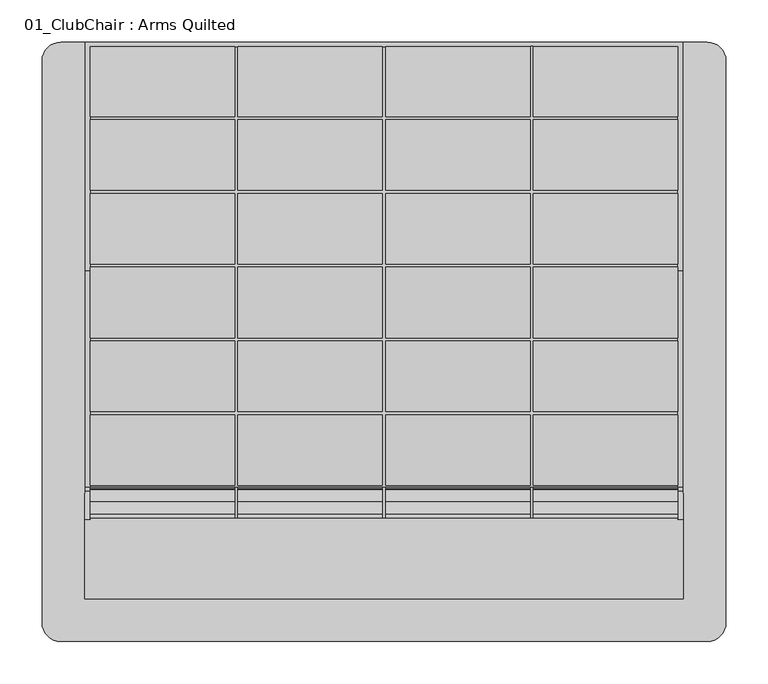
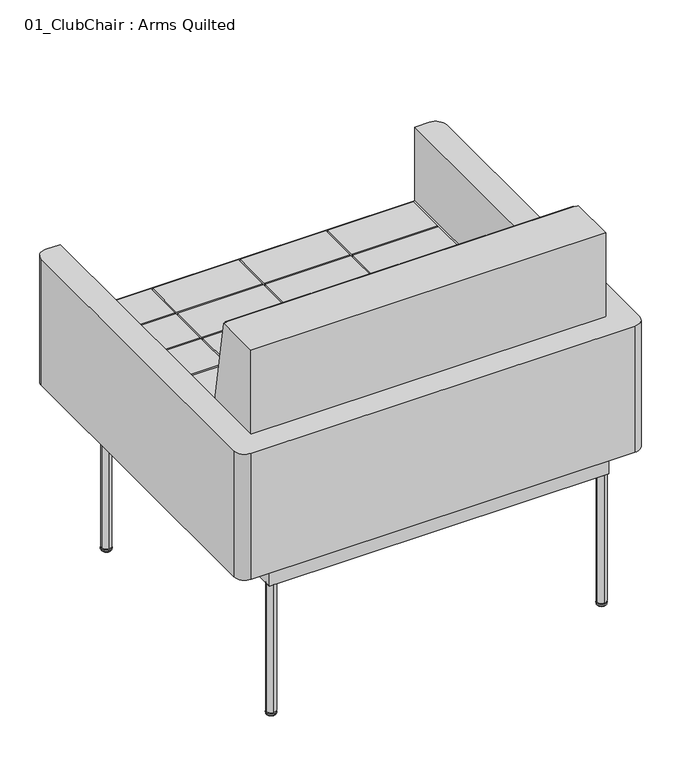
"""IFC4 building model written with IfcOpenShell, lengths in millimetres: furniture geometry, 01_ClubChair : Arms Quilted."""

from ifc_helpers import new_model, si_unit, point, frame, frame_2d, origin, place, context, project, spatial, polyline, circle_curve, ellipse_curve, trimmed, segment, composite_curve, outline, extrude, faceted_brep, source, transform, mapped, element, save
from ifc_brep_helpers import plane_surface, revolved_surface, advanced_brep


def furniture_01_clubchair_arms_quilted_26761083(model_context):
    return source(origin(), model_context, "Body", "SolidModel", [
        faceted_brep([(354.8683301, -172.790312, 357.1875), (354.8683301, -172.790312, 405.8269736), (354.8683301, -177.552038, 405.4116807), (354.8683301, -177.552038, 569.5185218), (354.8683301, -210.7940187, 761.4646402), (354.8683301, -305.047338, 761.4646402), (354.8683301, -305.047338, 357.1875), (-354.8683301, -305.047338, 761.4646402), (-354.8683301, -210.7940187, 761.4646402), (-354.8683301, -177.552038, 569.5185218), (-354.8683301, -177.552038, 405.4116807), (-354.8683301, -172.790312, 405.8269736), (-354.8683301, -172.790312, 357.1875), (-354.8683301, -305.047338, 357.1875), (1.905, -172.790312, 570.0407405), (1.905, -174.941666, 582.9299879), (173.355, -174.941666, 582.9299879), (173.355, -172.790312, 570.0407405), (-348.615, -190.2039855, 674.3699879), (-348.615, -204.1944449, 758.1899879), (-177.165, -204.1944449, 758.1899879), (-177.165, -190.2039855, 674.3699879), (-1.905, -204.1944449, 758.1899879), (-1.905, -190.2039855, 674.3699879), (-173.355, -190.2039855, 674.3699879), (-173.355, -204.1944449, 758.1899879), (173.355, -204.1944449, 758.1899879), (173.355, -190.2039855, 674.3699879), (1.905, -190.2039855, 674.3699879), (1.905, -204.1944449, 758.1899879), (348.615, -204.1944449, 758.1899879), (348.615, -190.2039855, 674.3699879), (177.165, -190.2039855, 674.3699879), (177.165, -204.1944449, 758.1899879), (-348.615, -175.577596, 586.7399879), (-348.615, -189.5680555, 670.5599879), (-177.165, -189.5680555, 670.5599879), (-177.165, -175.577596, 586.7399879), (-1.905, -189.5680555, 670.5599879), (-1.905, -175.577596, 586.7399879), (-173.355, -175.577596, 586.7399879), (-173.355, -189.5680555, 670.5599879), (173.355, -189.5680555, 670.5599879), (173.355, -175.577596, 586.7399879), (1.905, -175.577596, 586.7399879), (1.905, -189.5680555, 670.5599879), (348.615, -189.5680555, 670.5599879), (348.615, -175.577596, 586.7399879), (177.165, -175.577596, 586.7399879), (177.165, -189.5680555, 670.5599879), (-177.165, -174.941666, 582.9299879), (-177.165, -172.790312, 570.0407405), (-348.615, -172.790312, 570.0407405), (-348.615, -174.941666, 582.9299879), (348.615, -174.941666, 582.9299879), (348.615, -172.790312, 570.0407405), (177.165, -172.790312, 570.0407405), (177.165, -174.941666, 582.9299879), (-173.355, -172.790312, 570.0407405), (-173.355, -174.941666, 582.9299879), (-1.905, -174.941666, 582.9299879), (-1.905, -172.790312, 570.0407405), (-348.615, -172.790312, 405.8269736), (-348.615, -172.790312, 404.5204), (348.615, -172.790312, 404.5204), (348.615, -172.790312, 405.8269736), (173.355, -172.790312, 499.1099879), (1.905, -172.790312, 499.1099879), (-348.615, -172.790312, 499.1099879), (-177.165, -172.790312, 499.1099879), (177.165, -172.790312, 499.1099879), (348.615, -172.790312, 499.1099879), (-348.615, -172.790312, 411.4799879), (-348.615, -172.790312, 495.2999879), (-177.165, -172.790312, 495.2999879), (-177.165, -172.790312, 411.4799879), (-1.905, -172.790312, 495.2999879), (-1.905, -172.790312, 411.4799879), (-173.355, -172.790312, 411.4799879), (-173.355, -172.790312, 495.2999879), (173.355, -172.790312, 495.2999879), (173.355, -172.790312, 411.4799879), (1.905, -172.790312, 411.4799879), (1.905, -172.790312, 495.2999879), (348.615, -172.790312, 495.2999879), (348.615, -172.790312, 411.4799879), (177.165, -172.790312, 411.4799879), (177.165, -172.790312, 495.2999879), (-1.905, -172.790312, 499.1099879), (-173.355, -172.790312, 499.1099879), (348.615, -210.7940187, 761.4646402), (348.615, -209.797338, 761.4646402), (-348.615, -209.797338, 761.4646402), (-348.615, -210.7940187, 761.4646402), (-177.165, -209.797338, 674.3699879), (-177.165, -209.797338, 758.1899879), (-348.615, -209.797338, 758.1899879), (348.615, -209.797338, 758.1899879), (177.165, -209.797338, 758.1899879), (177.165, -209.797338, 674.3699879), (348.615, -209.797338, 674.3699879), (348.615, -209.797338, 670.5599879), (177.165, -209.797338, 670.5599879), (177.165, -209.797338, 586.7399879), (348.615, -209.797338, 586.7399879), (348.615, -209.797338, 582.9299879), (177.165, -209.797338, 582.9299879), (177.165, -209.797338, 499.1099879), (348.615, -209.797338, 499.1099879), (348.615, -209.797338, 495.2999879), (177.165, -209.797338, 495.2999879), (177.165, -209.797338, 411.4799879), (348.615, -209.797338, 411.4799879), (348.615, -209.797338, 404.5204), (-348.615, -209.797338, 404.5204), (-348.615, -209.797338, 411.4799879), (-177.165, -209.797338, 411.4799879), (-177.165, -209.797338, 495.2999879), (-348.615, -209.797338, 495.2999879), (-348.615, -209.797338, 499.1099879), (-177.165, -209.797338, 499.1099879), (-177.165, -209.797338, 582.9299879), (-348.615, -209.797338, 582.9299879), (-348.615, -209.797338, 586.7399879), (-177.165, -209.797338, 586.7399879), (-177.165, -209.797338, 670.5599879), (-348.615, -209.797338, 670.5599879), (-348.615, -209.797338, 674.3699879), (-173.355, -209.797338, 758.1899879), (-173.355, -209.797338, 674.3699879), (-1.905, -209.797338, 674.3699879), (-1.905, -209.797338, 758.1899879), (-173.355, -209.797338, 670.5599879), (-173.355, -209.797338, 586.7399879), (-1.905, -209.797338, 586.7399879), (-1.905, -209.797338, 670.5599879), (1.905, -209.797338, 670.5599879), (1.905, -209.797338, 586.7399879), (173.355, -209.797338, 586.7399879), (173.355, -209.797338, 670.5599879), (-173.355, -209.797338, 582.9299879), (-173.355, -209.797338, 499.1099879), (-1.905, -209.797338, 499.1099879), (-1.905, -209.797338, 582.9299879), (1.905, -209.797338, 582.9299879), (1.905, -209.797338, 499.1099879), (173.355, -209.797338, 499.1099879), (173.355, -209.797338, 582.9299879), (-173.355, -209.797338, 495.2999879), (-173.355, -209.797338, 411.4799879), (-1.905, -209.797338, 411.4799879), (-1.905, -209.797338, 495.2999879), (1.905, -209.797338, 495.2999879), (1.905, -209.797338, 411.4799879), (173.355, -209.797338, 411.4799879), (173.355, -209.797338, 495.2999879), (1.905, -209.797338, 674.3699879), (173.355, -209.797338, 674.3699879), (173.355, -209.797338, 758.1899879), (1.905, -209.797338, 758.1899879), (-348.615, -195.7106256, 674.3699879), (348.615, -195.7106256, 674.3699879), (-348.615, -180.534519, 586.7399879), (-348.615, -179.8746882, 582.9299879), (-348.615, -195.0507949, 670.5599879), (348.615, -195.0507949, 670.5599879), (348.615, -180.534519, 586.7399879), (348.615, -179.8746882, 582.9299879), (-348.615, -177.552038, 499.1099879), (-348.615, -177.552038, 495.2999879), (348.615, -177.552038, 499.1099879), (348.615, -177.552038, 495.2999879), (-348.615, -177.552038, 411.4799879), (-348.615, -177.552038, 405.4116807), (348.615, -177.552038, 411.4799879), (348.615, -177.552038, 405.4116807), (-348.615, -177.552038, 569.5185218), (348.615, -177.552038, 569.5185218)], [[[0, 1, 2, 3, 4, 5, 6]], [[7, 8, 9, 10, 11, 12, 13]], [[14, 15, 16, 17]], [[18, 19, 20, 21]], [[22, 23, 24, 25]], [[26, 27, 28, 29]], [[30, 31, 32, 33]], [[34, 35, 36, 37]], [[38, 39, 40, 41]], [[42, 43, 44, 45]], [[46, 47, 48, 49]], [[50, 51, 52, 53]], [[54, 55, 56, 57]], [[58, 59, 60, 61]], [[12, 11, 62, 63, 64, 65, 1, 0]], [[17, 66, 67, 14]], [[68, 52, 51, 69]], [[70, 56, 55, 71]], [[72, 73, 74, 75]], [[76, 77, 78, 79]], [[80, 81, 82, 83]], [[84, 85, 86, 87]], [[61, 88, 89, 58]], [[6, 13, 12, 0]], [[5, 7, 13, 6]], [[5, 4, 90, 91, 92, 93, 8, 7]], [[94, 95, 96, 92, 91, 97, 98, 99, 100, 101, 102, 103, 104, 105, 106, 107, 108, 109, 110, 111, 112, 113, 114, 115, 116, 117, 118, 119, 120, 121, 122, 123, 124, 125, 126, 127], [128, 129, 130, 131], [132, 133, 134, 135], [136, 137, 138, 139], [140, 141, 142, 143], [144, 145, 146, 147], [148, 149, 150, 151], [152, 153, 154, 155], [156, 157, 158, 159]], [[127, 160, 18, 21, 94]], [[95, 20, 19, 96]], [[94, 21, 20, 95]], [[131, 22, 25, 128]], [[129, 24, 23, 130]], [[128, 25, 24, 129]], [[158, 26, 29, 159]], [[157, 27, 26, 158]], [[156, 28, 27, 157]], [[97, 30, 33, 98]], [[99, 32, 31, 161, 100]], [[98, 33, 32, 99]], [[123, 162, 34, 37, 124]], [[122, 163, 162, 123]], [[125, 36, 35, 164, 126]], [[124, 37, 36, 125]], [[135, 38, 41, 132]], [[134, 39, 38, 135]], [[133, 40, 39, 134]], [[132, 41, 40, 133]], [[139, 42, 45, 136]], [[138, 43, 42, 139]], [[137, 44, 43, 138]], [[136, 45, 44, 137]], [[101, 165, 46, 49, 102]], [[104, 166, 167, 105]], [[103, 48, 47, 166, 104]], [[102, 49, 48, 103]], [[119, 168, 68, 69, 120]], [[118, 169, 168, 119]], [[121, 50, 53, 163, 122]], [[120, 69, 51, 50, 121]], [[143, 60, 59, 140]], [[142, 88, 61, 60, 143]], [[141, 89, 88, 142]], [[140, 59, 58, 89, 141]], [[147, 16, 15, 144]], [[146, 66, 17, 16, 147]], [[145, 67, 66, 146]], [[144, 15, 14, 67, 145]], [[105, 167, 54, 57, 106]], [[108, 170, 171, 109]], [[107, 70, 71, 170, 108]], [[106, 57, 56, 70, 107]], [[115, 172, 72, 75, 116]], [[114, 63, 62, 173, 172, 115]], [[117, 74, 73, 169, 118]], [[116, 75, 74, 117]], [[151, 76, 79, 148]], [[150, 77, 76, 151]], [[149, 78, 77, 150]], [[148, 79, 78, 149]], [[155, 80, 83, 152]], [[154, 81, 80, 155]], [[153, 82, 81, 154]], [[152, 83, 82, 153]], [[109, 171, 84, 87, 110]], [[112, 174, 175, 65, 64, 113]], [[111, 86, 85, 174, 112]], [[110, 87, 86, 111]], [[113, 64, 63, 114]], [[126, 164, 160, 127]], [[100, 161, 165, 101]], [[130, 23, 22, 131]], [[159, 29, 28, 156]], [[93, 92, 96, 19, 18, 160]], [[164, 35, 34, 162]], [[169, 73, 72, 172]], [[176, 163, 53, 52, 68, 168]], [[162, 163, 176, 9, 8, 93, 160, 164]], [[173, 62, 11, 10]], [[168, 169, 172, 173, 10, 9, 176]], [[161, 31, 30, 97, 91, 90]], [[166, 47, 46, 165]], [[174, 85, 84, 171]], [[177, 170, 71, 55, 54, 167]], [[167, 166, 165, 161, 90, 4, 3, 177]], [[177, 3, 2, 175, 174, 171, 170]], [[2, 1, 65, 175]]]),
        faceted_brep([(354.8683301, 355.847338, 357.1875), (354.8683301, 355.847338, 428.2705643), (354.8683301, 84.5466544, 428.2705643), (354.8683301, -172.790312, 405.8269736), (354.8683301, -172.790312, 357.1875), (-354.8683301, -172.790312, 357.1875), (-354.8683301, -172.790312, 405.8269736), (-354.8683301, 84.5466544, 428.2705643), (-354.8683301, 355.847338, 428.2705643), (-354.8683301, 355.847338, 357.1875), (348.615, -172.790312, 405.8269736), (348.615, -172.790312, 395.5542), (-348.615, -172.790312, 395.5542), (-348.615, -172.790312, 405.8269736), (-177.165, -86.747662, 415.9469708), (-348.615, -86.747662, 415.9469708), (-348.615, -170.567662, 408.6136794), (-177.165, -170.567662, 408.6136794), (-177.165, 0.882338, 423.6135936), (-348.615, 0.882338, 423.6135936), (-348.615, -82.937662, 416.2803022), (-177.165, -82.937662, 416.2803022), (-1.905, -82.937662, 416.2803022), (-1.905, 0.882338, 423.6135936), (-173.355, 0.882338, 423.6135936), (-173.355, -82.937662, 416.2803022), (173.355, -82.937662, 416.2803022), (173.355, 0.882338, 423.6135936), (1.905, 0.882338, 423.6135936), (1.905, -82.937662, 416.2803022), (348.615, -82.937662, 416.2803022), (348.615, 0.882338, 423.6135936), (177.165, 0.882338, 423.6135936), (177.165, -82.937662, 416.2803022), (-177.165, 88.512338, 431.2802164), (-348.615, 88.512338, 431.2802164), (-348.615, 4.692338, 423.946925), (-177.165, 4.692338, 423.946925), (-1.905, 4.692338, 423.946925), (-1.905, 88.512338, 431.2802164), (-173.355, 88.512338, 431.2802164), (-173.355, 4.692338, 423.946925), (173.355, 4.692338, 423.946925), (173.355, 88.512338, 431.2802164), (1.905, 88.512338, 431.2802164), (1.905, 4.692338, 423.946925), (348.615, 4.692338, 423.946925), (348.615, 88.512338, 431.2802164), (177.165, 88.512338, 431.2802164), (177.165, 4.692338, 423.946925), (-1.905, -170.567662, 408.6136794), (-1.905, -86.747662, 415.9469708), (-173.355, -86.747662, 415.9469708), (-173.355, -170.567662, 408.6136794), (173.355, -170.567662, 408.6136794), (173.355, -86.747662, 415.9469708), (1.905, -86.747662, 415.9469708), (1.905, -170.567662, 408.6136794), (348.615, -170.567662, 408.6136794), (348.615, -86.747662, 415.9469708), (177.165, -86.747662, 415.9469708), (177.165, -170.567662, 408.6136794), (-177.165, 176.142338, 431.3641497), (-348.615, 176.142338, 431.3641497), (-348.615, 92.322338, 431.3641497), (-177.165, 92.322338, 431.3641497), (-1.905, 92.322338, 431.3641497), (-1.905, 176.142338, 431.3641497), (-173.355, 176.142338, 431.3641497), (-173.355, 92.322338, 431.3641497), (173.355, 92.322338, 431.3641497), (173.355, 176.142338, 431.3641497), (1.905, 176.142338, 431.3641497), (1.905, 92.322338, 431.3641497), (348.615, 92.322338, 431.3641497), (348.615, 176.142338, 431.3641497), (177.165, 176.142338, 431.3641497), (177.165, 92.322338, 431.3641497), (-177.165, 263.772338, 431.3641497), (-348.615, 263.772338, 431.3641497), (-348.615, 179.952338, 431.3641497), (-177.165, 179.952338, 431.3641497), (-1.905, 179.952338, 431.3641497), (-1.905, 263.772338, 431.3641497), (-173.355, 263.772338, 431.3641497), (-173.355, 179.952338, 431.3641497), (173.355, 179.952338, 431.3641497), (173.355, 263.772338, 431.3641497), (1.905, 263.772338, 431.3641497), (1.905, 179.952338, 431.3641497), (348.615, 179.952338, 431.3641497), (348.615, 263.772338, 431.3641497), (177.165, 263.772338, 431.3641497), (177.165, 179.952338, 431.3641497), (-177.165, 350.449838, 431.3641497), (-348.615, 350.449838, 431.3641497), (-348.615, 267.582338, 431.3641497), (-177.165, 267.582338, 431.3641497), (-1.905, 267.582338, 431.3641497), (-1.905, 350.449838, 431.3641497), (-173.355, 350.449838, 431.3641497), (-173.355, 267.582338, 431.3641497), (173.355, 267.582338, 431.3641497), (173.355, 350.449838, 431.3641497), (1.905, 350.449838, 431.3641497), (1.905, 267.582338, 431.3641497), (348.615, 267.582338, 431.3641497), (348.615, 350.449838, 431.3641497), (177.165, 350.449838, 431.3641497), (177.165, 267.582338, 431.3641497), (-177.165, -170.567662, 395.5542), (-348.615, -170.567662, 395.5542), (348.615, -170.567662, 395.5542), (177.165, -170.567662, 395.5542), (177.165, -86.747662, 395.5542), (348.615, -86.747662, 395.5542), (348.615, -82.937662, 395.5542), (177.165, -82.937662, 395.5542), (177.165, 0.882338, 395.5542), (348.615, 0.882338, 395.5542), (348.615, 4.692338, 395.5542), (177.165, 4.692338, 395.5542), (177.165, 88.512338, 395.5542), (348.615, 88.512338, 395.5542), (348.615, 92.322338, 395.5542), (177.165, 92.322338, 395.5542), (177.165, 176.142338, 395.5542), (348.615, 176.142338, 395.5542), (348.615, 179.952338, 395.5542), (177.165, 179.952338, 395.5542), (177.165, 263.772338, 395.5542), (348.615, 263.772338, 395.5542), (348.615, 267.582338, 395.5542), (177.165, 267.582338, 395.5542), (177.165, 351.402338, 395.5542), (173.355, 351.402338, 395.5542), (173.355, 267.582338, 395.5542), (1.905, 267.582338, 395.5542), (1.905, 350.449838, 395.5542), (-1.905, 350.449838, 395.5542), (-1.905, 267.582338, 395.5542), (-173.355, 267.582338, 395.5542), (-173.355, 350.449838, 395.5542), (-177.165, 350.449838, 395.5542), (-177.165, 267.582338, 395.5542), (-348.615, 267.582338, 395.5542), (-348.615, 263.772338, 395.5542), (-177.165, 263.772338, 395.5542), (-177.165, 179.952338, 395.5542), (-348.615, 179.952338, 395.5542), (-348.615, 176.142338, 395.5542), (-177.165, 176.142338, 395.5542), (-177.165, 92.322338, 395.5542), (-348.615, 92.322338, 395.5542), (-348.615, 88.512338, 395.5542), (-177.165, 88.512338, 395.5542), (-177.165, 4.692338, 395.5542), (-348.615, 4.692338, 395.5542), (-348.615, 0.882338, 395.5542), (-177.165, 0.882338, 395.5542), (-177.165, -82.937662, 395.5542), (-348.615, -82.937662, 395.5542), (-348.615, -86.747662, 395.5542), (-177.165, -86.747662, 395.5542), (-173.355, -170.567662, 395.5542), (-173.355, -86.747662, 395.5542), (-1.905, -86.747662, 395.5542), (-1.905, -170.567662, 395.5542), (1.905, -170.567662, 395.5542), (1.905, -86.747662, 395.5542), (173.355, -86.747662, 395.5542), (173.355, -170.567662, 395.5542), (-173.355, -82.937662, 395.5542), (-173.355, 0.882338, 395.5542), (-1.905, 0.882338, 395.5542), (-1.905, -82.937662, 395.5542), (1.905, -82.937662, 395.5542), (1.905, 0.882338, 395.5542), (173.355, 0.882338, 395.5542), (173.355, -82.937662, 395.5542), (-173.355, 4.692338, 395.5542), (-173.355, 88.512338, 395.5542), (-1.905, 88.512338, 395.5542), (-1.905, 4.692338, 395.5542), (1.905, 4.692338, 395.5542), (1.905, 88.512338, 395.5542), (173.355, 88.512338, 395.5542), (173.355, 4.692338, 395.5542), (-173.355, 92.322338, 395.5542), (-173.355, 176.142338, 395.5542), (-1.905, 176.142338, 395.5542), (-1.905, 92.322338, 395.5542), (1.905, 92.322338, 395.5542), (1.905, 176.142338, 395.5542), (173.355, 176.142338, 395.5542), (173.355, 92.322338, 395.5542), (-173.355, 179.952338, 395.5542), (-173.355, 263.772338, 395.5542), (-1.905, 263.772338, 395.5542), (-1.905, 179.952338, 395.5542), (1.905, 179.952338, 395.5542), (1.905, 263.772338, 395.5542), (173.355, 263.772338, 395.5542), (173.355, 179.952338, 395.5542), (-348.615, -86.747662, 413.3311657), (-348.615, -82.937662, 413.663454), (-348.615, -170.567662, 406.0208216), (348.615, -170.567662, 406.0208216), (348.615, -86.747662, 413.3311657), (-348.615, 0.882338, 420.9737981), (-348.615, 4.692338, 421.3060865), (348.615, -82.937662, 413.663454), (348.615, 0.882338, 420.9737981), (-348.615, 88.512338, 428.2705643), (-348.615, 92.322338, 428.2705643), (348.615, 4.692338, 421.3060865), (348.615, 88.512338, 428.2705643), (-348.615, 176.142338, 428.2705643), (-348.615, 179.952338, 428.2705643), (348.615, 92.322338, 428.2705643), (348.615, 176.142338, 428.2705643), (-348.615, 263.772338, 428.2705643), (-348.615, 267.582338, 428.2705643), (348.615, 179.952338, 428.2705643), (348.615, 263.772338, 428.2705643), (-177.165, 350.449838, 428.2705643), (-173.355, 350.449838, 428.2705643), (-1.905, 350.449838, 428.2705643), (1.905, 350.449838, 428.2705643), (173.355, 351.402338, 428.2705643), (173.355, 350.449838, 428.2705643), (177.165, 351.402338, 428.2705643), (348.615, 267.582338, 428.2705643), (177.165, 350.449838, 428.2705643), (-348.615, 350.449838, 428.2705643), (-348.615, 84.5466544, 428.2705643), (348.615, 350.449838, 428.2705643), (348.615, 84.5466544, 428.2705643)], [[[0, 1, 2, 3, 4]], [[5, 6, 7, 8, 9]], [[9, 8, 1, 0]], [[4, 5, 9, 0]], [[4, 3, 10, 11, 12, 13, 6, 5]], [[14, 15, 16, 17]], [[18, 19, 20, 21]], [[22, 23, 24, 25]], [[26, 27, 28, 29]], [[30, 31, 32, 33]], [[34, 35, 36, 37]], [[38, 39, 40, 41]], [[42, 43, 44, 45]], [[46, 47, 48, 49]], [[50, 51, 52, 53]], [[54, 55, 56, 57]], [[58, 59, 60, 61]], [[62, 63, 64, 65]], [[66, 67, 68, 69]], [[70, 71, 72, 73]], [[74, 75, 76, 77]], [[78, 79, 80, 81]], [[82, 83, 84, 85]], [[86, 87, 88, 89]], [[90, 91, 92, 93]], [[94, 95, 96, 97]], [[98, 99, 100, 101]], [[102, 103, 104, 105]], [[106, 107, 108, 109]], [[110, 111, 12, 11, 112, 113, 114, 115, 116, 117, 118, 119, 120, 121, 122, 123, 124, 125, 126, 127, 128, 129, 130, 131, 132, 133, 134, 135, 136, 137, 138, 139, 140, 141, 142, 143, 144, 145, 146, 147, 148, 149, 150, 151, 152, 153, 154, 155, 156, 157, 158, 159, 160, 161, 162, 163], [164, 165, 166, 167], [168, 169, 170, 171], [172, 173, 174, 175], [176, 177, 178, 179], [180, 181, 182, 183], [184, 185, 186, 187], [188, 189, 190, 191], [192, 193, 194, 195], [196, 197, 198, 199], [200, 201, 202, 203]], [[163, 14, 17, 110]], [[162, 204, 15, 14, 163]], [[161, 205, 204, 162]], [[110, 17, 16, 206, 111]], [[167, 50, 53, 164]], [[166, 51, 50, 167]], [[165, 52, 51, 166]], [[164, 53, 52, 165]], [[171, 54, 57, 168]], [[170, 55, 54, 171]], [[169, 56, 55, 170]], [[168, 57, 56, 169]], [[112, 207, 58, 61, 113]], [[114, 60, 59, 208, 115]], [[113, 61, 60, 114]], [[159, 18, 21, 160]], [[158, 209, 19, 18, 159]], [[157, 210, 209, 158]], [[160, 21, 20, 205, 161]], [[175, 22, 25, 172]], [[174, 23, 22, 175]], [[173, 24, 23, 174]], [[172, 25, 24, 173]], [[179, 26, 29, 176]], [[178, 27, 26, 179]], [[177, 28, 27, 178]], [[176, 29, 28, 177]], [[116, 211, 30, 33, 117]], [[118, 32, 31, 212, 119]], [[117, 33, 32, 118]], [[155, 34, 37, 156]], [[154, 213, 35, 34, 155]], [[153, 214, 213, 154]], [[156, 37, 36, 210, 157]], [[183, 38, 41, 180]], [[182, 39, 38, 183]], [[181, 40, 39, 182]], [[180, 41, 40, 181]], [[187, 42, 45, 184]], [[186, 43, 42, 187]], [[185, 44, 43, 186]], [[184, 45, 44, 185]], [[120, 215, 46, 49, 121]], [[122, 48, 47, 216, 123]], [[121, 49, 48, 122]], [[151, 62, 65, 152]], [[150, 217, 63, 62, 151]], [[149, 218, 217, 150]], [[152, 65, 64, 214, 153]], [[191, 66, 69, 188]], [[190, 67, 66, 191]], [[189, 68, 67, 190]], [[188, 69, 68, 189]], [[195, 70, 73, 192]], [[194, 71, 70, 195]], [[193, 72, 71, 194]], [[192, 73, 72, 193]], [[124, 219, 74, 77, 125]], [[126, 76, 75, 220, 127]], [[125, 77, 76, 126]], [[147, 78, 81, 148]], [[146, 221, 79, 78, 147]], [[145, 222, 221, 146]], [[148, 81, 80, 218, 149]], [[199, 82, 85, 196]], [[198, 83, 82, 199]], [[197, 84, 83, 198]], [[196, 85, 84, 197]], [[203, 86, 89, 200]], [[202, 87, 86, 203]], [[201, 88, 87, 202]], [[200, 89, 88, 201]], [[128, 223, 90, 93, 129]], [[130, 92, 91, 224, 131]], [[129, 93, 92, 130]], [[143, 225, 94, 97, 144]], [[142, 226, 225, 143]], [[144, 97, 96, 222, 145]], [[140, 98, 101, 141]], [[139, 227, 99, 98, 140]], [[138, 228, 227, 139]], [[141, 101, 100, 226, 142]], [[136, 102, 105, 137]], [[135, 229, 230, 103, 102, 136]], [[134, 231, 229, 135]], [[137, 105, 104, 228, 138]], [[132, 232, 106, 109, 133]], [[133, 109, 108, 233, 231, 134]], [[111, 206, 13, 12]], [[131, 224, 232, 132]], [[127, 220, 223, 128]], [[123, 216, 219, 124]], [[119, 212, 215, 120]], [[115, 208, 211, 116]], [[96, 95, 234, 222]], [[206, 16, 15, 204]], [[205, 20, 19, 209]], [[214, 64, 63, 217]], [[218, 80, 79, 221]], [[235, 210, 36, 35, 213]], [[213, 214, 217, 218, 221, 222, 234, 225, 226, 227, 228, 230, 229, 231, 233, 236, 232, 224, 223, 220, 219, 216, 237, 2, 1, 8, 7, 235]], [[204, 205, 209, 210, 235, 7, 6, 13, 206]], [[208, 59, 58, 207]], [[212, 31, 30, 211]], [[216, 47, 46, 215, 237]], [[220, 75, 74, 219]], [[224, 91, 90, 223]], [[232, 236, 107, 106]], [[215, 212, 211, 208, 207, 10, 3, 2, 237]], [[226, 100, 99, 227]], [[228, 104, 103, 230]], [[233, 108, 107, 236]], [[234, 95, 94, 225]], [[11, 10, 207, 112]]]),
        advanced_brep(
        [(-326.9326911, 239.6951247, 0.0), (-330.7158741, 239.6951247, 0.0), (-334.4990571, 239.6951247, 0.0), (-321.1908741, 239.6951247, 3.1750001), (-340.2408741, 239.6951247, 3.1750001), (-321.0604279, 239.6951247, 6.4931848), (-340.3713203, 239.6951247, 6.4931848), (-326.5659995, 239.6951247, 9.5049434), (-334.8657488, 239.6951247, 9.5049434), (-330.7158741, 239.6951247, 9.5049435)],
        [
            (0, 1),
            (1, 2),
            (2, 0, circle_curve(frame((-330.7158741, 239.6951247, 0.0), z_axis=(0.0, 0.0, -1.0), x_axis=(-1.0, 0.0, 0.0)), 3.783183)),
            (0, 2, circle_curve(frame((-330.7158741, 239.6951247, 0.0), z_axis=(0.0, 0.0, -1.0), x_axis=(-1.0, 0.0, 0.0)), 3.783183)),
            (3, 0, circle_curve(frame((-326.9326911, 239.6951247, 6.7793838), z_axis=(0.0, 1.0, 0.0), x_axis=(1.0, 0.0, 0.0)), 6.7793838)),
            (2, 4, circle_curve(frame((-334.4990571, 239.6951247, 6.7793838), z_axis=(0.0, 1.0, 0.0), x_axis=(-1.0, 0.0, 0.0)), 6.7793838)),
            (4, 3, circle_curve(frame((-330.7158741, 239.6951247, 3.1750001), z_axis=(0.0, 0.0, -1.0), x_axis=(-1.0, 0.0, 0.0)), 9.525)),
            (3, 4, circle_curve(frame((-330.7158741, 239.6951247, 3.1750001), z_axis=(0.0, 0.0, -1.0), x_axis=(-1.0, 0.0, 0.0)), 9.525)),
            (5, 3),
            (4, 6),
            (6, 5, circle_curve(frame((-330.7158741, 239.6951247, 6.4931848), z_axis=(0.0, 0.0, -1.0), x_axis=(-1.0, 0.0, 0.0)), 9.6554462)),
            (5, 6, circle_curve(frame((-330.7158741, 239.6951247, 6.4931848), z_axis=(0.0, 0.0, -1.0), x_axis=(-1.0, 0.0, 0.0)), 9.6554462)),
            (7, 5, circle_curve(frame((-326.5659995, 239.6951247, 2.9669016), z_axis=(0.0, 1.0, 0.0), x_axis=(1.0, 0.0, 0.0)), 6.5380418)),
            (6, 8, circle_curve(frame((-334.8657488, 239.6951247, 2.9669016), z_axis=(0.0, 1.0, 0.0), x_axis=(-1.0, 0.0, 0.0)), 6.5380418)),
            (8, 7, circle_curve(frame((-330.7158741, 239.6951247, 9.5049434), z_axis=(0.0, 0.0, -1.0), x_axis=(-1.0, 0.0, 0.0)), 4.1498747)),
            (7, 8, circle_curve(frame((-330.7158741, 239.6951247, 9.5049434), z_axis=(0.0, 0.0, -1.0), x_axis=(-1.0, 0.0, 0.0)), 4.1498747)),
            (9, 7),
            (8, 9),
        ],
        [
            plane_surface(frame((-330.7158741, 239.6951247, 0.0), z_axis=(0.0, 0.0, -1.0), x_axis=(-1.0, 0.0, 0.0))),
            revolved_surface(trimmed(ellipse_curve(frame((-334.4990571, 239.6951247, 6.7793838), z_axis=(0.0, 1.0, 0.0), x_axis=(-1.0, 0.0, 0.0)), 6.7793838, 6.7793838), [point((-334.4990571, 239.6951247, 0.0))], [point((-340.2408741, 239.6951247, 3.1750001))], True, "CARTESIAN"), (-330.7158741, 239.6951247, 2.4865786), (0.0, 0.0, 1.0)),
            revolved_surface(polyline([(-340.2408741, 239.6951247, 3.1750001), (-340.3713203, 239.6951247, 6.4931848)]), (-330.7158741, 239.6951247, 2.4865786), (0.0, 0.0, 1.0)),
            revolved_surface(trimmed(ellipse_curve(frame((-334.8657488, 239.6951247, 2.9669016), z_axis=(0.0, 1.0, 0.0), x_axis=(-1.0, 0.0, 0.0)), 6.5380418, 6.5380418), [point((-340.3713203, 239.6951247, 6.4931848))], [point((-334.8657488, 239.6951247, 9.5049434))], True, "CARTESIAN"), (-330.7158741, 239.6951247, 2.4865786), (0.0, 0.0, 1.0)),
            plane_surface(frame((-330.7158741, 239.6951247, 9.5049435), z_axis=(0.0, 0.0, 1.0), x_axis=(-1.0, 0.0, 0.0))),
        ],
        [
            (0, [[1, 2, 3]]),
            (0, [[-2, -1, 4]]),
            (1, [[5, -3, 6, 7]]),
            (1, [[-6, -4, -5, 8]]),
            (2, [[9, -7, 10, 11]]),
            (2, [[-10, -8, -9, 12]]),
            (3, [[13, -11, 14, 15]]),
            (3, [[-14, -12, -13, 16]]),
            (4, [[17, -15, 18]]),
            (4, [[-18, -16, -17]]),
        ],
    ),
        advanced_brep(
        [(-330.7158741, -332.5700088, 0.0), (-326.9326911, -332.5700088, 0.0), (-334.4990571, -332.5700088, 0.0), (-321.1908741, -332.5700088, 3.1750001), (-340.2408741, -332.5700088, 3.1750001), (-321.0604279, -332.5700088, 6.4931848), (-340.3713203, -332.5700088, 6.4931848), (-326.5659995, -332.5700088, 9.5049435), (-334.8657488, -332.5700088, 9.5049435), (-330.7158741, -332.5700088, 9.5049435)],
        [
            (0, 1),
            (1, 2, circle_curve(frame((-330.7158741, -332.5700088, 0.0), z_axis=(0.0, 0.0, -1.0), x_axis=(-1.0, 0.0, 0.0)), 3.783183)),
            (2, 0),
            (2, 1, circle_curve(frame((-330.7158741, -332.5700088, 0.0), z_axis=(0.0, 0.0, -1.0), x_axis=(-1.0, 0.0, 0.0)), 3.783183)),
            (1, 3, circle_curve(frame((-326.9326911, -332.5700088, 6.7793838), z_axis=(0.0, -1.0, 0.0), x_axis=(1.0, 0.0, 0.0)), 6.7793838)),
            (3, 4, circle_curve(frame((-330.7158741, -332.5700088, 3.1750001), z_axis=(0.0, 0.0, -1.0), x_axis=(-1.0, 0.0, 0.0)), 9.525)),
            (4, 2, circle_curve(frame((-334.4990571, -332.5700088, 6.7793838), z_axis=(0.0, -1.0, 0.0), x_axis=(-1.0, 0.0, 0.0)), 6.7793838)),
            (4, 3, circle_curve(frame((-330.7158741, -332.5700088, 3.1750001), z_axis=(0.0, 0.0, -1.0), x_axis=(-1.0, 0.0, 0.0)), 9.525)),
            (3, 5),
            (5, 6, circle_curve(frame((-330.7158741, -332.5700088, 6.4931848), z_axis=(0.0, 0.0, -1.0), x_axis=(-1.0, 0.0, 0.0)), 9.6554462)),
            (6, 4),
            (6, 5, circle_curve(frame((-330.7158741, -332.5700088, 6.4931848), z_axis=(0.0, 0.0, -1.0), x_axis=(-1.0, 0.0, 0.0)), 9.6554462)),
            (5, 7, circle_curve(frame((-326.5659995, -332.5700088, 2.9669016), z_axis=(0.0, -1.0, 0.0), x_axis=(1.0, 0.0, 0.0)), 6.5380418)),
            (7, 8, circle_curve(frame((-330.7158741, -332.5700088, 9.5049435), z_axis=(0.0, 0.0, -1.0), x_axis=(-1.0, 0.0, 0.0)), 4.1498747)),
            (8, 6, circle_curve(frame((-334.8657488, -332.5700088, 2.9669016), z_axis=(0.0, -1.0, 0.0), x_axis=(-1.0, 0.0, 0.0)), 6.5380418)),
            (8, 7, circle_curve(frame((-330.7158741, -332.5700088, 9.5049435), z_axis=(0.0, 0.0, -1.0), x_axis=(-1.0, 0.0, 0.0)), 4.1498747)),
            (7, 9),
            (9, 8),
        ],
        [
            plane_surface(frame((-330.7158741, -332.5700088, 0.0), z_axis=(0.0, 0.0, -1.0), x_axis=(-1.0, 0.0, 0.0))),
            revolved_surface(trimmed(ellipse_curve(frame((-334.4990571, -332.5700088, 6.7793838), z_axis=(0.0, -1.0, 0.0), x_axis=(-1.0, 0.0, 0.0)), 6.7793838, 6.7793838), [point((-340.2408741, -332.5700088, 3.1750001))], [point((-334.4990571, -332.5700088, 0.0))], True, "CARTESIAN"), (-330.7158741, -332.5700088, 2.4865786), (0.0, 0.0, -1.0)),
            revolved_surface(polyline([(-340.3713203, -332.5700088, 6.4931848), (-340.2408741, -332.5700088, 3.1750001)]), (-330.7158741, -332.5700088, 2.4865786), (0.0, 0.0, -1.0)),
            revolved_surface(trimmed(ellipse_curve(frame((-334.8657488, -332.5700088, 2.9669016), z_axis=(0.0, -1.0, 0.0), x_axis=(-1.0, 0.0, 0.0)), 6.5380418, 6.5380418), [point((-334.8657488, -332.5700088, 9.5049435))], [point((-340.3713203, -332.5700088, 6.4931848))], True, "CARTESIAN"), (-330.7158741, -332.5700088, 2.4865786), (0.0, 0.0, -1.0)),
            plane_surface(frame((-330.7158741, -332.5700088, 9.5049435), z_axis=(0.0, 0.0, 1.0), x_axis=(-1.0, 0.0, 0.0))),
        ],
        [
            (0, [[1, 2, 3]]),
            (0, [[-3, 4, -1]]),
            (1, [[5, 6, 7, -2]]),
            (1, [[-7, 8, -5, -4]]),
            (2, [[9, 10, 11, -6]]),
            (2, [[-11, 12, -9, -8]]),
            (3, [[13, 14, 15, -10]]),
            (3, [[-15, 16, -13, -12]]),
            (4, [[17, 18, -14]]),
            (4, [[-18, -17, -16]]),
        ],
    ),
        extrude(outline(composite_curve([segment(polyline([(-405.6683301, -333.876338), (-405.6683301, 333.876338)]), True, "CONTINUOUS"), segment(trimmed(circle_curve(frame_2d((-383.6973301, 333.876338)), 21.971), [point((-405.6683301, 333.876338))], [point((-383.6973301, 355.847338))], False, "CARTESIAN"), True, "CONTINUOUS"), segment(polyline([(-383.6973301, 355.847338), (-354.8683301, 355.847338), (-354.8683301, -305.047338), (354.8683301, -305.047338), (354.8683301, 355.847338), (383.7017262, 355.847338)]), True, "CONTINUOUS"), segment(trimmed(circle_curve(frame_2d((383.7017262, 333.880734)), 21.966604), [point((383.7017262, 355.847338))], [point((405.6683301, 333.880734))], False, "CARTESIAN"), True, "CONTINUOUS"), segment(polyline([(405.6683301, 333.880734), (405.6683301, -333.876338)]), True, "CONTINUOUS"), segment(trimmed(circle_curve(frame_2d((383.6973301, -333.876338)), 21.971), [point((405.6683301, -333.876338))], [point((383.6973301, -355.847338))], False, "CARTESIAN"), True, "CONTINUOUS"), segment(polyline([(383.6973301, -355.847338), (-383.6973301, -355.847338)]), True, "CONTINUOUS"), segment(trimmed(circle_curve(frame_2d((-383.6973301, -333.876338)), 21.971), [point((-383.6973301, -355.847338))], [point((-405.6683301, -333.876338))], False, "CARTESIAN"), True, "CONTINUOUS")], self_intersect=False)), frame((0.0, 0.0, 317.4993339), z_axis=(0.0, 0.0, 1.0), x_axis=(1.0, 0.0, 0.0)), (0.0, 0.0, 1.0), 266.700654),
        extrude(outline(composite_curve([segment(trimmed(circle_curve(frame_2d((-330.5455732, -332.8903279)), 9.525), [point((-340.0705732, -332.8903279))], [point((-330.5455732, -323.3653279))], False, "CARTESIAN"), True, "CONTINUOUS"), segment(trimmed(circle_curve(frame_2d((-330.5455732, -332.8903279)), 9.525), [point((-330.5455732, -323.3653279))], [point((-321.0205732, -332.8903279))], False, "CARTESIAN"), True, "CONTINUOUS"), segment(trimmed(circle_curve(frame_2d((-330.5455732, -332.8903279)), 9.525), [point((-321.0205732, -332.8903279))], [point((-330.5455732, -342.4153279))], False, "CARTESIAN"), True, "CONTINUOUS"), segment(trimmed(circle_curve(frame_2d((-330.5455732, -332.8903279)), 9.525), [point((-330.5455732, -342.4153279))], [point((-340.0705732, -332.8903279))], False, "CARTESIAN"), True, "CONTINUOUS")], self_intersect=False)), frame((0.0, 0.0, 9.525), z_axis=(0.0, 0.0, 1.0), x_axis=(1.0, 0.0, 0.0)), (0.0, 0.0, 1.0), 269.8750061),
        extrude(outline(composite_curve([segment(trimmed(circle_curve(frame_2d((-330.4468312, 238.7745677)), 9.525), [point((-339.9718312, 238.7745677))], [point((-330.4468312, 248.2995677))], False, "CARTESIAN"), True, "CONTINUOUS"), segment(trimmed(circle_curve(frame_2d((-330.4468312, 238.7745677)), 9.525), [point((-330.4468312, 248.2995677))], [point((-320.9218312, 238.7745677))], False, "CARTESIAN"), True, "CONTINUOUS"), segment(trimmed(circle_curve(frame_2d((-330.4468312, 238.7745677)), 9.525), [point((-320.9218312, 238.7745677))], [point((-330.4468312, 229.2495677))], False, "CARTESIAN"), True, "CONTINUOUS"), segment(trimmed(circle_curve(frame_2d((-330.4468312, 238.7745677)), 9.525), [point((-330.4468312, 229.2495677))], [point((-339.9718312, 238.7745677))], False, "CARTESIAN"), True, "CONTINUOUS")], self_intersect=False)), frame((0.0, 0.0, 9.525), z_axis=(0.0, 0.0, 1.0), x_axis=(1.0, 0.0, 0.0)), (0.0, 0.0, 1.0), 269.8750061),
        advanced_brep(
        [(-326.4581339, 238.459695, 0.0), (-330.2413168, 238.459695, 0.0), (-334.0244998, 238.459695, 0.0), (-320.7163168, 238.459695, 3.1750001), (-339.7663168, 238.459695, 3.1750001), (-320.5858706, 238.459695, 6.4931848), (-339.896763, 238.459695, 6.4931848), (-326.0914422, 238.459695, 9.5049435), (-334.3911915, 238.459695, 9.5049435), (-330.2413168, 238.459695, 9.5049435)],
        [
            (0, 1),
            (1, 2),
            (2, 0, circle_curve(frame((-330.2413168, 238.459695, 0.0), z_axis=(0.0, 0.0, -1.0), x_axis=(-1.0, 0.0, 0.0)), 3.783183)),
            (0, 2, circle_curve(frame((-330.2413168, 238.459695, 0.0), z_axis=(0.0, 0.0, -1.0), x_axis=(-1.0, 0.0, 0.0)), 3.783183)),
            (3, 0, circle_curve(frame((-326.4581339, 238.459695, 6.7793838), z_axis=(0.0, 1.0, 0.0), x_axis=(1.0, 0.0, 0.0)), 6.7793838)),
            (2, 4, circle_curve(frame((-334.0244998, 238.459695, 6.7793838), z_axis=(0.0, 1.0, 0.0), x_axis=(-1.0, 0.0, 0.0)), 6.7793838)),
            (4, 3, circle_curve(frame((-330.2413168, 238.459695, 3.1750001), z_axis=(0.0, 0.0, -1.0), x_axis=(-1.0, 0.0, 0.0)), 9.525)),
            (3, 4, circle_curve(frame((-330.2413168, 238.459695, 3.1750001), z_axis=(0.0, 0.0, -1.0), x_axis=(-1.0, 0.0, 0.0)), 9.525)),
            (5, 3),
            (4, 6),
            (6, 5, circle_curve(frame((-330.2413168, 238.459695, 6.4931848), z_axis=(0.0, 0.0, -1.0), x_axis=(-1.0, 0.0, 0.0)), 9.6554462)),
            (5, 6, circle_curve(frame((-330.2413168, 238.459695, 6.4931848), z_axis=(0.0, 0.0, -1.0), x_axis=(-1.0, 0.0, 0.0)), 9.6554462)),
            (7, 5, circle_curve(frame((-326.0914422, 238.459695, 2.9669016), z_axis=(0.0, 1.0, 0.0), x_axis=(1.0, 0.0, 0.0)), 6.5380418)),
            (6, 8, circle_curve(frame((-334.3911915, 238.459695, 2.9669016), z_axis=(0.0, 1.0, 0.0), x_axis=(-1.0, 0.0, 0.0)), 6.5380418)),
            (8, 7, circle_curve(frame((-330.2413168, 238.459695, 9.5049435), z_axis=(0.0, 0.0, -1.0), x_axis=(-1.0, 0.0, 0.0)), 4.1498747)),
            (7, 8, circle_curve(frame((-330.2413168, 238.459695, 9.5049435), z_axis=(0.0, 0.0, -1.0), x_axis=(-1.0, 0.0, 0.0)), 4.1498747)),
            (9, 7),
            (8, 9),
        ],
        [
            plane_surface(frame((-330.2413168, 238.459695, 0.0), z_axis=(0.0, 0.0, -1.0), x_axis=(-1.0, 0.0, 0.0))),
            revolved_surface(trimmed(ellipse_curve(frame((-334.0244998, 238.459695, 6.7793838), z_axis=(0.0, 1.0, 0.0), x_axis=(-1.0, 0.0, 0.0)), 6.7793838, 6.7793838), [point((-334.0244998, 238.459695, 0.0))], [point((-339.7663168, 238.459695, 3.1750001))], True, "CARTESIAN"), (-330.2413168, 238.459695, 2.4865786), (0.0, 0.0, 1.0)),
            revolved_surface(polyline([(-339.7663168, 238.459695, 3.1750001), (-339.896763, 238.459695, 6.4931848)]), (-330.2413168, 238.459695, 2.4865786), (0.0, 0.0, 1.0)),
            revolved_surface(trimmed(ellipse_curve(frame((-334.3911915, 238.459695, 2.9669016), z_axis=(0.0, 1.0, 0.0), x_axis=(-1.0, 0.0, 0.0)), 6.5380418, 6.5380418), [point((-339.896763, 238.459695, 6.4931848))], [point((-334.3911915, 238.459695, 9.5049435))], True, "CARTESIAN"), (-330.2413168, 238.459695, 2.4865786), (0.0, 0.0, 1.0)),
            plane_surface(frame((-330.2413168, 238.459695, 9.5049435), z_axis=(0.0, 0.0, 1.0), x_axis=(-1.0, 0.0, 0.0))),
        ],
        [
            (0, [[1, 2, 3]]),
            (0, [[-2, -1, 4]]),
            (1, [[5, -3, 6, 7]]),
            (1, [[-6, -4, -5, 8]]),
            (2, [[9, -7, 10, 11]]),
            (2, [[-10, -8, -9, 12]]),
            (3, [[13, -11, 14, 15]]),
            (3, [[-14, -12, -13, 16]]),
            (4, [[17, -15, 18]]),
            (4, [[-18, -16, -17]]),
        ],
    ),
        advanced_brep(
        [(-330.549346, -332.7425888, 0.0), (-326.7661631, -332.7425888, 0.0), (-334.332529, -332.7425888, 0.0), (-321.024346, -332.7425888, 3.1750001), (-340.074346, -332.7425888, 3.1750001), (-320.8938998, -332.7425888, 6.4931848), (-340.2047922, -332.7425888, 6.4931848), (-326.3994714, -332.7425888, 9.5049434), (-334.6992207, -332.7425888, 9.5049434), (-330.549346, -332.7425888, 9.5049435)],
        [
            (0, 1),
            (1, 2, circle_curve(frame((-330.549346, -332.7425888, 0.0), z_axis=(0.0, 0.0, -1.0), x_axis=(-1.0, 0.0, 0.0)), 3.783183)),
            (2, 0),
            (2, 1, circle_curve(frame((-330.549346, -332.7425888, 0.0), z_axis=(0.0, 0.0, -1.0), x_axis=(-1.0, 0.0, 0.0)), 3.783183)),
            (1, 3, circle_curve(frame((-326.7661631, -332.7425888, 6.7793838), z_axis=(0.0, -1.0, 0.0), x_axis=(1.0, 0.0, 0.0)), 6.7793838)),
            (3, 4, circle_curve(frame((-330.549346, -332.7425888, 3.1750001), z_axis=(0.0, 0.0, -1.0), x_axis=(-1.0, 0.0, 0.0)), 9.525)),
            (4, 2, circle_curve(frame((-334.332529, -332.7425888, 6.7793838), z_axis=(0.0, -1.0, 0.0), x_axis=(-1.0, 0.0, 0.0)), 6.7793838)),
            (4, 3, circle_curve(frame((-330.549346, -332.7425888, 3.1750001), z_axis=(0.0, 0.0, -1.0), x_axis=(-1.0, 0.0, 0.0)), 9.525)),
            (3, 5),
            (5, 6, circle_curve(frame((-330.549346, -332.7425888, 6.4931848), z_axis=(0.0, 0.0, -1.0), x_axis=(-1.0, 0.0, 0.0)), 9.6554462)),
            (6, 4),
            (6, 5, circle_curve(frame((-330.549346, -332.7425888, 6.4931848), z_axis=(0.0, 0.0, -1.0), x_axis=(-1.0, 0.0, 0.0)), 9.6554462)),
            (5, 7, circle_curve(frame((-326.3994714, -332.7425888, 2.9669016), z_axis=(0.0, -1.0, 0.0), x_axis=(1.0, 0.0, 0.0)), 6.5380418)),
            (7, 8, circle_curve(frame((-330.549346, -332.7425888, 9.5049434), z_axis=(0.0, 0.0, -1.0), x_axis=(-1.0, 0.0, 0.0)), 4.1498747)),
            (8, 6, circle_curve(frame((-334.6992207, -332.7425888, 2.9669016), z_axis=(0.0, -1.0, 0.0), x_axis=(-1.0, 0.0, 0.0)), 6.5380418)),
            (8, 7, circle_curve(frame((-330.549346, -332.7425888, 9.5049434), z_axis=(0.0, 0.0, -1.0), x_axis=(-1.0, 0.0, 0.0)), 4.1498747)),
            (7, 9),
            (9, 8),
        ],
        [
            plane_surface(frame((-330.549346, -332.7425888, 0.0), z_axis=(0.0, 0.0, -1.0), x_axis=(-1.0, 0.0, 0.0))),
            revolved_surface(trimmed(ellipse_curve(frame((-334.332529, -332.7425888, 6.7793838), z_axis=(0.0, -1.0, 0.0), x_axis=(-1.0, 0.0, 0.0)), 6.7793838, 6.7793838), [point((-340.074346, -332.7425888, 3.1750001))], [point((-334.332529, -332.7425888, 0.0))], True, "CARTESIAN"), (-330.549346, -332.7425888, 2.4865786), (0.0, 0.0, -1.0)),
            revolved_surface(polyline([(-340.2047922, -332.7425888, 6.4931848), (-340.074346, -332.7425888, 3.1750001)]), (-330.549346, -332.7425888, 2.4865786), (0.0, 0.0, -1.0)),
            revolved_surface(trimmed(ellipse_curve(frame((-334.6992207, -332.7425888, 2.9669016), z_axis=(0.0, -1.0, 0.0), x_axis=(-1.0, 0.0, 0.0)), 6.5380418, 6.5380418), [point((-334.6992207, -332.7425888, 9.5049434))], [point((-340.2047922, -332.7425888, 6.4931848))], True, "CARTESIAN"), (-330.549346, -332.7425888, 2.4865786), (0.0, 0.0, -1.0)),
            plane_surface(frame((-330.549346, -332.7425888, 9.5049435), z_axis=(0.0, 0.0, 1.0), x_axis=(-1.0, 0.0, 0.0))),
        ],
        [
            (0, [[1, 2, 3]]),
            (0, [[-3, 4, -1]]),
            (1, [[5, 6, 7, -2]]),
            (1, [[-7, 8, -5, -4]]),
            (2, [[9, 10, 11, -6]]),
            (2, [[-11, 12, -9, -8]]),
            (3, [[13, 14, 15, -10]]),
            (3, [[-15, 16, -13, -12]]),
            (4, [[17, 18, -14]]),
            (4, [[-18, -17, -16]]),
        ],
    ),
        advanced_brep(
        [(330.7158741, 239.6951247, 0.0), (326.9326911, 239.6951247, 0.0), (334.4990571, 239.6951247, 0.0), (321.1908741, 239.6951247, 3.1750001), (340.2408741, 239.6951247, 3.1750001), (321.0604279, 239.6951247, 6.4931848), (340.3713203, 239.6951247, 6.4931848), (326.5659995, 239.6951247, 9.5049434), (334.8657488, 239.6951247, 9.5049434), (330.7158741, 239.6951247, 9.5049435)],
        [
            (0, 1),
            (1, 2, circle_curve(frame((330.7158741, 239.6951247, 0.0), z_axis=(0.0, 0.0, -1.0), x_axis=(1.0, 0.0, 0.0)), 3.783183)),
            (2, 0),
            (2, 1, circle_curve(frame((330.7158741, 239.6951247, 0.0), z_axis=(0.0, 0.0, -1.0), x_axis=(1.0, 0.0, 0.0)), 3.783183)),
            (1, 3, circle_curve(frame((326.9326911, 239.6951247, 6.7793838), z_axis=(0.0, 1.0, 0.0), x_axis=(-1.0, 0.0, 0.0)), 6.7793838)),
            (3, 4, circle_curve(frame((330.7158741, 239.6951247, 3.1750001), z_axis=(0.0, 0.0, -1.0), x_axis=(1.0, 0.0, 0.0)), 9.525)),
            (4, 2, circle_curve(frame((334.4990571, 239.6951247, 6.7793838), z_axis=(0.0, 1.0, 0.0), x_axis=(1.0, 0.0, 0.0)), 6.7793838)),
            (4, 3, circle_curve(frame((330.7158741, 239.6951247, 3.1750001), z_axis=(0.0, 0.0, -1.0), x_axis=(1.0, 0.0, 0.0)), 9.525)),
            (3, 5),
            (5, 6, circle_curve(frame((330.7158741, 239.6951247, 6.4931848), z_axis=(0.0, 0.0, -1.0), x_axis=(1.0, 0.0, 0.0)), 9.6554462)),
            (6, 4),
            (6, 5, circle_curve(frame((330.7158741, 239.6951247, 6.4931848), z_axis=(0.0, 0.0, -1.0), x_axis=(1.0, 0.0, 0.0)), 9.6554462)),
            (5, 7, circle_curve(frame((326.5659995, 239.6951247, 2.9669016), z_axis=(0.0, 1.0, 0.0), x_axis=(-1.0, 0.0, 0.0)), 6.5380418)),
            (7, 8, circle_curve(frame((330.7158741, 239.6951247, 9.5049434), z_axis=(0.0, 0.0, -1.0), x_axis=(1.0, 0.0, 0.0)), 4.1498747)),
            (8, 6, circle_curve(frame((334.8657488, 239.6951247, 2.9669016), z_axis=(0.0, 1.0, 0.0), x_axis=(1.0, 0.0, 0.0)), 6.5380418)),
            (8, 7, circle_curve(frame((330.7158741, 239.6951247, 9.5049434), z_axis=(0.0, 0.0, -1.0), x_axis=(1.0, 0.0, 0.0)), 4.1498747)),
            (7, 9),
            (9, 8),
        ],
        [
            plane_surface(frame((330.7158741, 239.6951247, 0.0), z_axis=(0.0, 0.0, -1.0), x_axis=(1.0, 0.0, 0.0))),
            revolved_surface(trimmed(ellipse_curve(frame((334.4990571, 239.6951247, 6.7793838), z_axis=(0.0, 1.0, 0.0), x_axis=(1.0, 0.0, 0.0)), 6.7793838, 6.7793838), [point((340.2408741, 239.6951247, 3.1750001))], [point((334.4990571, 239.6951247, 0.0))], True, "CARTESIAN"), (330.7158741, 239.6951247, 2.4865786), (0.0, 0.0, -1.0)),
            revolved_surface(polyline([(340.3713203, 239.6951247, 6.4931848), (340.2408741, 239.6951247, 3.1750001)]), (330.7158741, 239.6951247, 2.4865786), (0.0, 0.0, -1.0)),
            revolved_surface(trimmed(ellipse_curve(frame((334.8657488, 239.6951247, 2.9669016), z_axis=(0.0, 1.0, 0.0), x_axis=(1.0, 0.0, 0.0)), 6.5380418, 6.5380418), [point((334.8657488, 239.6951247, 9.5049434))], [point((340.3713203, 239.6951247, 6.4931848))], True, "CARTESIAN"), (330.7158741, 239.6951247, 2.4865786), (0.0, 0.0, -1.0)),
            plane_surface(frame((330.7158741, 239.6951247, 9.5049435), z_axis=(0.0, 0.0, 1.0), x_axis=(1.0, 0.0, 0.0))),
        ],
        [
            (0, [[1, 2, 3]]),
            (0, [[-3, 4, -1]]),
            (1, [[5, 6, 7, -2]]),
            (1, [[-7, 8, -5, -4]]),
            (2, [[9, 10, 11, -6]]),
            (2, [[-11, 12, -9, -8]]),
            (3, [[13, 14, 15, -10]]),
            (3, [[-15, 16, -13, -12]]),
            (4, [[17, 18, -14]]),
            (4, [[-18, -17, -16]]),
        ],
    ),
        advanced_brep(
        [(326.9326911, -332.5700088, 0.0), (330.7158741, -332.5700088, 0.0), (334.4990571, -332.5700088, 0.0), (321.1908741, -332.5700088, 3.1750001), (340.2408741, -332.5700088, 3.1750001), (321.0604279, -332.5700088, 6.4931848), (340.3713203, -332.5700088, 6.4931848), (326.5659995, -332.5700088, 9.5049435), (334.8657488, -332.5700088, 9.5049435), (330.7158741, -332.5700088, 9.5049435)],
        [
            (0, 1),
            (1, 2),
            (2, 0, circle_curve(frame((330.7158741, -332.5700088, 0.0), z_axis=(0.0, 0.0, -1.0), x_axis=(1.0, 0.0, 0.0)), 3.783183)),
            (0, 2, circle_curve(frame((330.7158741, -332.5700088, 0.0), z_axis=(0.0, 0.0, -1.0), x_axis=(1.0, 0.0, 0.0)), 3.783183)),
            (3, 0, circle_curve(frame((326.9326911, -332.5700088, 6.7793838), z_axis=(0.0, -1.0, 0.0), x_axis=(-1.0, 0.0, 0.0)), 6.7793838)),
            (2, 4, circle_curve(frame((334.4990571, -332.5700088, 6.7793838), z_axis=(0.0, -1.0, 0.0), x_axis=(1.0, 0.0, 0.0)), 6.7793838)),
            (4, 3, circle_curve(frame((330.7158741, -332.5700088, 3.1750001), z_axis=(0.0, 0.0, -1.0), x_axis=(1.0, 0.0, 0.0)), 9.525)),
            (3, 4, circle_curve(frame((330.7158741, -332.5700088, 3.1750001), z_axis=(0.0, 0.0, -1.0), x_axis=(1.0, 0.0, 0.0)), 9.525)),
            (5, 3),
            (4, 6),
            (6, 5, circle_curve(frame((330.7158741, -332.5700088, 6.4931848), z_axis=(0.0, 0.0, -1.0), x_axis=(1.0, 0.0, 0.0)), 9.6554462)),
            (5, 6, circle_curve(frame((330.7158741, -332.5700088, 6.4931848), z_axis=(0.0, 0.0, -1.0), x_axis=(1.0, 0.0, 0.0)), 9.6554462)),
            (7, 5, circle_curve(frame((326.5659995, -332.5700088, 2.9669016), z_axis=(0.0, -1.0, 0.0), x_axis=(-1.0, 0.0, 0.0)), 6.5380418)),
            (6, 8, circle_curve(frame((334.8657488, -332.5700088, 2.9669016), z_axis=(0.0, -1.0, 0.0), x_axis=(1.0, 0.0, 0.0)), 6.5380418)),
            (8, 7, circle_curve(frame((330.7158741, -332.5700088, 9.5049435), z_axis=(0.0, 0.0, -1.0), x_axis=(1.0, 0.0, 0.0)), 4.1498747)),
            (7, 8, circle_curve(frame((330.7158741, -332.5700088, 9.5049435), z_axis=(0.0, 0.0, -1.0), x_axis=(1.0, 0.0, 0.0)), 4.1498747)),
            (9, 7),
            (8, 9),
        ],
        [
            plane_surface(frame((330.7158741, -332.5700088, 0.0), z_axis=(0.0, 0.0, -1.0), x_axis=(1.0, 0.0, 0.0))),
            revolved_surface(trimmed(ellipse_curve(frame((334.4990571, -332.5700088, 6.7793838), z_axis=(0.0, -1.0, 0.0), x_axis=(1.0, 0.0, 0.0)), 6.7793838, 6.7793838), [point((334.4990571, -332.5700088, 0.0))], [point((340.2408741, -332.5700088, 3.1750001))], True, "CARTESIAN"), (330.7158741, -332.5700088, 2.4865786), (0.0, 0.0, 1.0)),
            revolved_surface(polyline([(340.2408741, -332.5700088, 3.1750001), (340.3713203, -332.5700088, 6.4931848)]), (330.7158741, -332.5700088, 2.4865786), (0.0, 0.0, 1.0)),
            revolved_surface(trimmed(ellipse_curve(frame((334.8657488, -332.5700088, 2.9669016), z_axis=(0.0, -1.0, 0.0), x_axis=(1.0, 0.0, 0.0)), 6.5380418, 6.5380418), [point((340.3713203, -332.5700088, 6.4931848))], [point((334.8657488, -332.5700088, 9.5049435))], True, "CARTESIAN"), (330.7158741, -332.5700088, 2.4865786), (0.0, 0.0, 1.0)),
            plane_surface(frame((330.7158741, -332.5700088, 9.5049435), z_axis=(0.0, 0.0, 1.0), x_axis=(1.0, 0.0, 0.0))),
        ],
        [
            (0, [[1, 2, 3]]),
            (0, [[-2, -1, 4]]),
            (1, [[5, -3, 6, 7]]),
            (1, [[-6, -4, -5, 8]]),
            (2, [[9, -7, 10, 11]]),
            (2, [[-10, -8, -9, 12]]),
            (3, [[13, -11, 14, 15]]),
            (3, [[-14, -12, -13, 16]]),
            (4, [[17, -15, 18]]),
            (4, [[-18, -16, -17]]),
        ],
    ),
        extrude(outline(composite_curve([segment(trimmed(circle_curve(frame_2d((330.5455732, -332.8903279)), 9.525), [point((340.0705732, -332.8903279))], [point((330.5455732, -342.4153279))], False, "CARTESIAN"), True, "CONTINUOUS"), segment(trimmed(circle_curve(frame_2d((330.5455732, -332.8903279)), 9.525), [point((330.5455732, -342.4153279))], [point((321.0205732, -332.8903279))], False, "CARTESIAN"), True, "CONTINUOUS"), segment(trimmed(circle_curve(frame_2d((330.5455732, -332.8903279)), 9.525), [point((321.0205732, -332.8903279))], [point((330.5455732, -323.3653279))], False, "CARTESIAN"), True, "CONTINUOUS"), segment(trimmed(circle_curve(frame_2d((330.5455732, -332.8903279)), 9.525), [point((330.5455732, -323.3653279))], [point((340.0705732, -332.8903279))], False, "CARTESIAN"), True, "CONTINUOUS")], self_intersect=False)), frame((0.0, 0.0, 9.525), z_axis=(0.0, 0.0, 1.0), x_axis=(1.0, 0.0, 0.0)), (0.0, 0.0, 1.0), 269.8750061),
        extrude(outline(composite_curve([segment(trimmed(circle_curve(frame_2d((330.4468312, 238.7745677)), 9.525), [point((339.9718312, 238.7745677))], [point((330.4468312, 229.2495677))], False, "CARTESIAN"), True, "CONTINUOUS"), segment(trimmed(circle_curve(frame_2d((330.4468312, 238.7745677)), 9.525), [point((330.4468312, 229.2495677))], [point((320.9218312, 238.7745677))], False, "CARTESIAN"), True, "CONTINUOUS"), segment(trimmed(circle_curve(frame_2d((330.4468312, 238.7745677)), 9.525), [point((320.9218312, 238.7745677))], [point((330.4468312, 248.2995677))], False, "CARTESIAN"), True, "CONTINUOUS"), segment(trimmed(circle_curve(frame_2d((330.4468312, 238.7745677)), 9.525), [point((330.4468312, 248.2995677))], [point((339.9718312, 238.7745677))], False, "CARTESIAN"), True, "CONTINUOUS")], self_intersect=False)), frame((0.0, 0.0, 9.525), z_axis=(0.0, 0.0, 1.0), x_axis=(1.0, 0.0, 0.0)), (0.0, 0.0, 1.0), 269.8750061),
        extrude(outline(polyline([(339.6198064, -342.5689221), (-339.6198064, -342.5689221), (-339.6198064, 248.3227239), (339.6198064, 248.3227239), (339.6198064, -342.5689221)]), holes=[polyline([(320.5698064, -323.5189221), (320.5698064, 229.2727239), (-320.5698064, 229.2727239), (-320.5698064, -323.5189221), (320.5698064, -323.5189221)])]), frame((0.0, 0.0, 279.4000061), z_axis=(0.0, 0.0, 1.0), x_axis=(1.0, 0.0, 0.0)), (0.0, 0.0, 1.0), 38.0999818),
        extrude(outline(polyline([(-354.8683301, -305.047338), (-354.8683301, 355.847338), (354.8683301, 355.847338), (354.8683301, -305.047338), (-354.8683301, -305.047338)])), frame((0.0, 0.0, 318.7699879), z_axis=(0.0, 0.0, 1.0), x_axis=(1.0, 0.0, 0.0)), (0.0, 0.0, 1.0), 37.1475121),
    ])


if __name__ == "__main__":
    model = new_model("IFC4")
    model_context = context("Model", 3, world=origin())
    ifc_project = project(units=[si_unit("LENGTHUNIT", "METRE", prefix="MILLI")], contexts=[model_context])
    site = spatial("IfcSite", under=ifc_project)
    building = spatial("IfcBuilding", under=site)
    placement = place(None, origin())
    furniture_01_clubchair_arms_quilted_shape = furniture_01_clubchair_arms_quilted_26761083(model_context)
    element("IfcFurniture", 1, ObjectType="01_ClubChair : Arms Quilted", at=placement, inside=building, context=model_context, shape_type="MappedRepresentation", body=[
        mapped(furniture_01_clubchair_arms_quilted_shape, transform((0.0, 0.0, 0.0), x_axis=(1.0, 0.0, 0.0), y_axis=(0.0, 1.0, 0.0), z_axis=(0.0, 0.0, 1.0))),
    ])
    save(model, "model.ifc")
